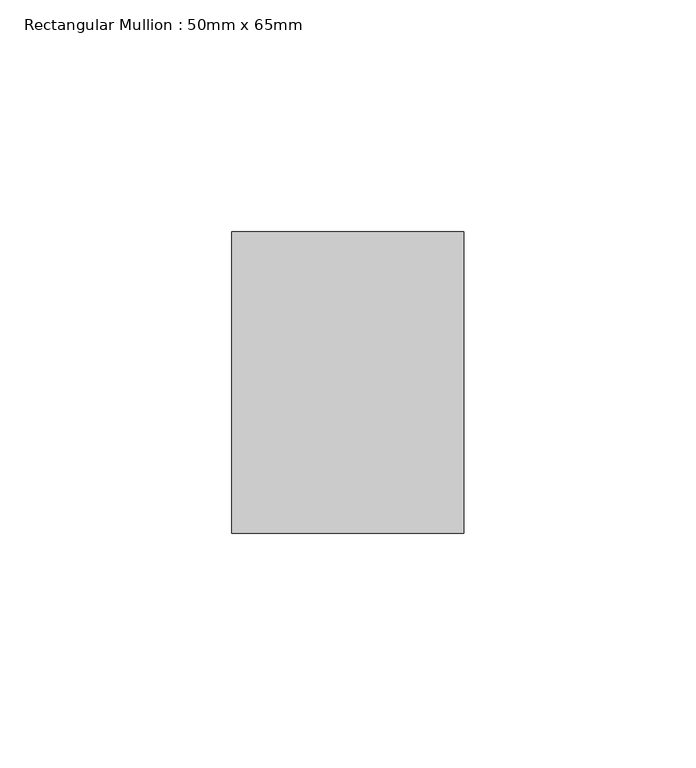
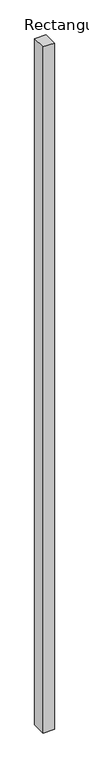
"""IFC4 building model written with IfcOpenShell, lengths in millimetres: member geometry, Rectangular Mullion : 50mm x 65mm."""

from ifc_helpers import new_model, si_unit, frame, origin, place, context, project, spatial, polyline, outline, extrude, source, transform, mapped, element, save


def rectangular_mullion_50mm_x_65mm_f7ae82d4(model_context):
    return source(origin(), model_context, "Body", "SweptSolid", [
        extrude(outline(polyline([(25.0, 32.5), (25.0, -32.5), (-25.0, -32.5), (-25.0, 32.5), (25.0, 32.5)])), frame((0.0, 0.0, -3235.2671015), z_axis=(0.0, 0.0, 1.0), x_axis=(1.0, 0.0, 0.0)), (0.0, 0.0, 1.0), 3235.2671015),
    ])


if __name__ == "__main__":
    model = new_model("IFC4")
    model_context = context("Model", 3, world=origin())
    ifc_project = project(units=[si_unit("LENGTHUNIT", "METRE", prefix="MILLI")], contexts=[model_context])
    site = spatial("IfcSite", under=ifc_project)
    building = spatial("IfcBuilding", under=site)
    placement = place(None, origin())
    rectangular_mullion_50mm_x_65mm_shape = rectangular_mullion_50mm_x_65mm_f7ae82d4(model_context)
    element("IfcMember", 1, ObjectType="Rectangular Mullion : 50mm x 65mm", at=placement, inside=building, context=model_context, shape_type="MappedRepresentation", body=[
        mapped(rectangular_mullion_50mm_x_65mm_shape, transform((0.0, 0.0, 0.0), x_axis=(1.0, 0.0, 0.0), y_axis=(0.0, 1.0, 0.0), z_axis=(0.0, 0.0, 1.0))),
    ])
    save(model, "model.ifc")
